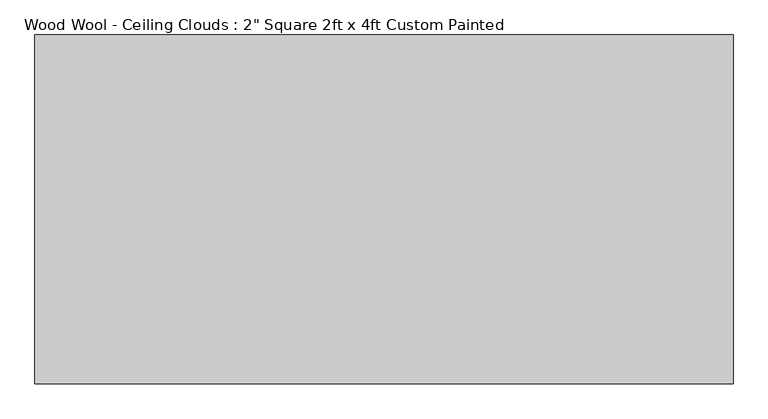
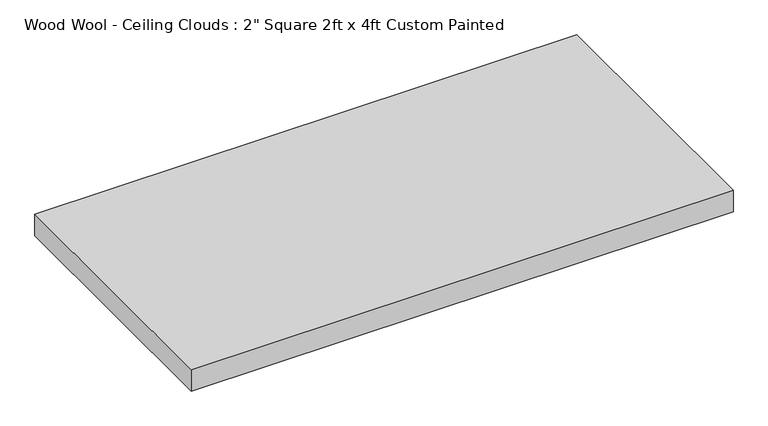
"""IFC4 building model written with IfcOpenShell, lengths in millimetres: proxy geometry."""

from ifc_helpers import new_model, si_unit, frame, origin, place, context, project, spatial, polyline, outline, extrude, source, transform, mapped, element, save


def proxy_2c73fb49(model_context):
    return source(origin(), model_context, "Body", "SweptSolid", [
        extrude(outline(polyline([(-609.6, -304.8), (-609.6, 304.8), (609.6, 304.8), (609.6, -304.8), (-609.6, -304.8)])), frame((0.0, 0.0, -50.8), z_axis=(0.0, 0.0, 1.0), x_axis=(1.0, 0.0, 0.0)), (0.0, 0.0, 1.0), 50.8),
    ])


if __name__ == "__main__":
    model = new_model("IFC4")
    model_context = context("Model", 3, world=origin())
    ifc_project = project(units=[si_unit("LENGTHUNIT", "METRE", prefix="MILLI")], contexts=[model_context])
    site = spatial("IfcSite", under=ifc_project)
    building = spatial("IfcBuilding", under=site)
    placement = place(None, origin())
    proxy_shape = proxy_2c73fb49(model_context)
    element("IfcBuildingElementProxy", 1, Name="Wood Wool - Ceiling Clouds : 2\" Square 2ft x 4ft Custom Painted", ObjectType="Wood Wool - Ceiling Clouds : 2\" Square 2ft x 4ft Custom Painted", at=placement, inside=building, context=model_context, shape_type="MappedRepresentation", body=[
        mapped(proxy_shape, transform((0.0, 0.0, 0.0), x_axis=(1.0, 0.0, 0.0), y_axis=(0.0, 1.0, 0.0), z_axis=(0.0, 0.0, 1.0))),
    ])
    save(model, "model.ifc")
